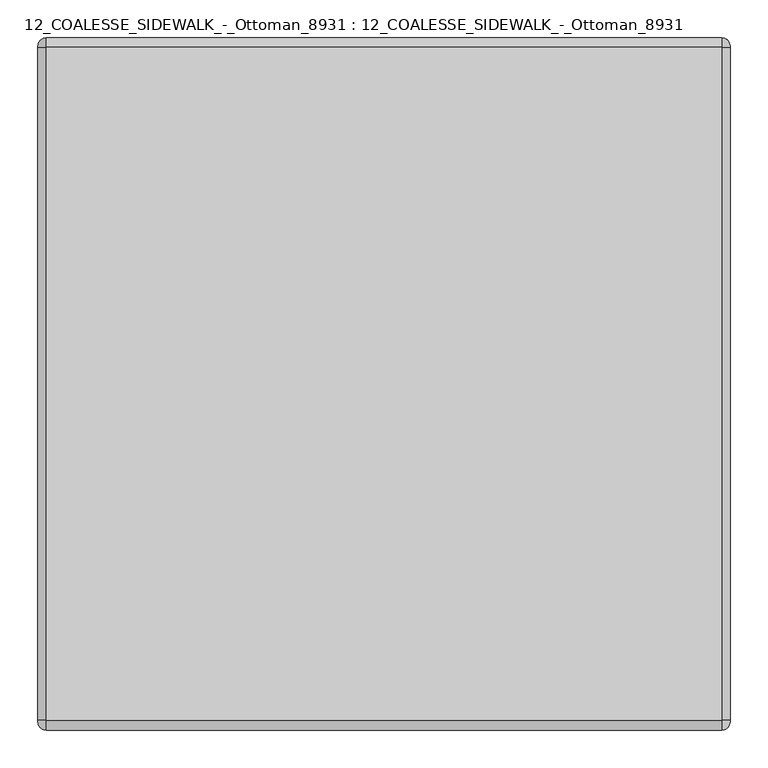
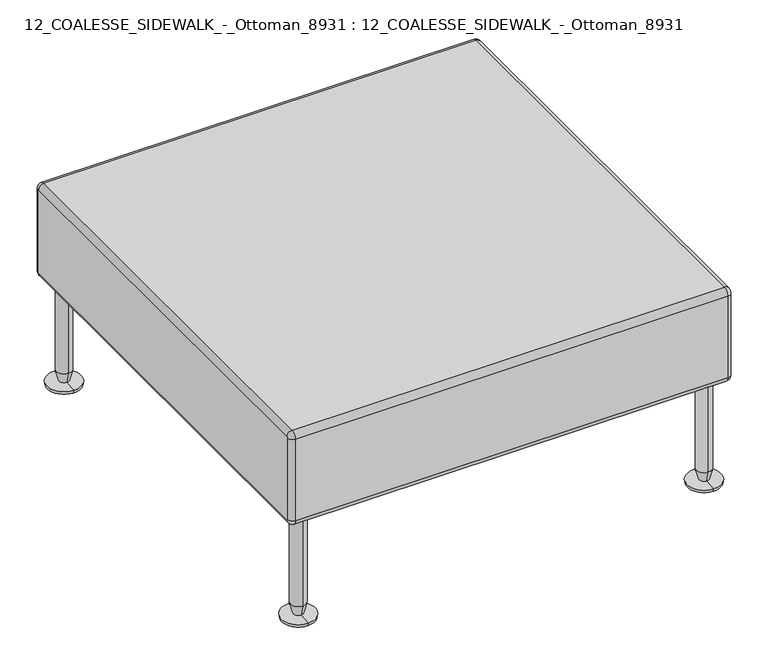
"""IFC4 building model written with IfcOpenShell, lengths in millimetres: furniture geometry, 12_COALESSE_SIDEWALK_-_Ottoman_8931 : 12_COALESSE_SIDEWALK_-_Ottoman_8931."""

from ifc_helpers import new_model, si_unit, point, frame, origin, place, context, project, spatial, polyline, circle_curve, ellipse_curve, trimmed, source, transform, mapped, element, save
from ifc_brep_helpers import plane_surface, cylinder_surface, revolved_surface, advanced_brep


def furniture_12_coalesse_sidewalk_ottoman_8931_12_coalesse_88a3f7fe(model_context):
    return source(origin(), model_context, "Body", "AdvancedBrep", [
        advanced_brep(
        [(-721.2141121, 583.8248707, 228.6), (-721.2141121, 599.6998707, 228.6), (-721.2141121, 567.9498707, 228.6), (-721.2141121, 549.958204, 0.0), (-721.2141121, 617.6915374, 0.0), (-721.2141121, 583.8248707, 0.0), (-721.2141121, 548.8998707, 6.35), (-721.2141121, 618.7498707, 6.35), (-721.2141121, 573.9415173, 8.5001207), (-721.2141121, 593.7082242, 8.5001207), (-721.2141121, 567.9498707, 31.75), (-721.2141121, 599.6998707, 31.75)],
        [
            (0, 1),
            (1, 2, circle_curve(frame((-721.2141121, 583.8248707, 228.6), z_axis=(0.0, 0.0, 1.0), x_axis=(0.0, 1.0, 0.0)), 15.875)),
            (2, 0),
            (2, 1, circle_curve(frame((-721.2141121, 583.8248707, 228.6), z_axis=(0.0, 0.0, 1.0), x_axis=(0.0, 1.0, 0.0)), 15.875)),
            (3, 4, circle_curve(frame((-721.2141121, 583.8248707, 0.0), z_axis=(0.0, 0.0, -1.0), x_axis=(0.0, 1.0, 0.0)), 33.8666667)),
            (4, 5),
            (5, 3),
            (4, 3, circle_curve(frame((-721.2141121, 583.8248707, 0.0), z_axis=(0.0, 0.0, -1.0), x_axis=(0.0, 1.0, 0.0)), 33.8666667)),
            (3, 6),
            (6, 7, circle_curve(frame((-721.2141121, 583.8248707, 6.35), z_axis=(0.0, 0.0, -1.0), x_axis=(0.0, 1.0, 0.0)), 34.925)),
            (7, 4),
            (7, 6, circle_curve(frame((-721.2141121, 583.8248707, 6.35), z_axis=(0.0, 0.0, -1.0), x_axis=(0.0, 1.0, 0.0)), 34.925)),
            (6, 8),
            (8, 9, circle_curve(frame((-721.2141121, 583.8248707, 8.5001207), z_axis=(0.0, 0.0, -1.0), x_axis=(0.0, 1.0, 0.0)), 9.8833534)),
            (9, 7),
            (9, 8, circle_curve(frame((-721.2141121, 583.8248707, 8.5001207), z_axis=(0.0, 0.0, -1.0), x_axis=(0.0, 1.0, 0.0)), 9.8833534)),
            (8, 10),
            (10, 11, circle_curve(frame((-721.2141121, 583.8248707, 31.75), z_axis=(0.0, 0.0, -1.0), x_axis=(0.0, 1.0, 0.0)), 15.875)),
            (11, 9),
            (11, 10, circle_curve(frame((-721.2141121, 583.8248707, 31.75), z_axis=(0.0, 0.0, -1.0), x_axis=(0.0, 1.0, 0.0)), 15.875)),
            (1, 11),
            (10, 2),
        ],
        [
            plane_surface(frame((-721.2141121, 583.8248707, 228.6), z_axis=(0.0, 0.0, 1.0), x_axis=(0.0, 1.0, 0.0))),
            plane_surface(frame((-721.2141121, 583.8248707, 0.0), z_axis=(0.0, 0.0, -1.0), x_axis=(0.0, 1.0, 0.0))),
            revolved_surface(polyline([(-721.2141121, 617.6915374, 0.0), (-721.2141121, 618.7498707, 6.35)]), (-721.2141121, 583.8248707, -95.25), (0.0, 0.0, 1.0)),
            revolved_surface(polyline([(-721.2141121, 618.7498707, 6.35), (-721.2141121, 593.7082242, 8.5001207)]), (-721.2141121, 583.8248707, -95.25), (0.0, 0.0, 1.0)),
            revolved_surface(polyline([(-721.2141121, 593.7082242, 8.5001207), (-721.2141121, 599.6998707, 31.75)]), (-721.2141121, 583.8248707, -95.25), (0.0, 0.0, 1.0)),
            cylinder_surface(frame((-721.2141121, 583.8248707, -95.25), z_axis=(0.0, 0.0, 1.0), x_axis=(0.0, 1.0, 0.0)), 15.875),
        ],
        [
            (0, [[1, 2, 3]]),
            (0, [[-1, -3, 4]]),
            (1, [[5, 6, 7]]),
            (1, [[-6, 8, -7]]),
            (2, [[-5, 9, 10, 11]]),
            (2, [[-8, -11, 12, -9]]),
            (3, [[-10, 13, 14, 15]]),
            (3, [[-12, -15, 16, -13]]),
            (4, [[-14, 17, 18, 19]]),
            (4, [[-16, -19, 20, -17]]),
            (5, [[-2, 21, -18, 22]]),
            (5, [[-4, -22, -20, -21]]),
        ],
    ),
        advanced_brep(
        [(-721.2141121, -254.3751293, 228.6), (-721.2141121, -238.5001293, 228.6), (-721.2141121, -270.2501293, 228.6), (-721.2141121, -288.241796, 0.0), (-721.2141121, -220.5084626, 0.0), (-721.2141121, -254.3751293, 0.0), (-721.2141121, -289.3001293, 6.35), (-721.2141121, -219.4501293, 6.35), (-721.2141121, -264.2584827, 8.5001207), (-721.2141121, -244.4917758, 8.5001207), (-721.2141121, -270.2501293, 31.75), (-721.2141121, -238.5001293, 31.75)],
        [
            (0, 1),
            (1, 2, circle_curve(frame((-721.2141121, -254.3751293, 228.6), z_axis=(0.0, 0.0, 1.0), x_axis=(0.0, 1.0, 0.0)), 15.875)),
            (2, 0),
            (2, 1, circle_curve(frame((-721.2141121, -254.3751293, 228.6), z_axis=(0.0, 0.0, 1.0), x_axis=(0.0, 1.0, 0.0)), 15.875)),
            (3, 4, circle_curve(frame((-721.2141121, -254.3751293, 0.0), z_axis=(0.0, 0.0, -1.0), x_axis=(0.0, 1.0, 0.0)), 33.8666667)),
            (4, 5),
            (5, 3),
            (4, 3, circle_curve(frame((-721.2141121, -254.3751293, 0.0), z_axis=(0.0, 0.0, -1.0), x_axis=(0.0, 1.0, 0.0)), 33.8666667)),
            (3, 6),
            (6, 7, circle_curve(frame((-721.2141121, -254.3751293, 6.35), z_axis=(0.0, 0.0, -1.0), x_axis=(0.0, 1.0, 0.0)), 34.925)),
            (7, 4),
            (7, 6, circle_curve(frame((-721.2141121, -254.3751293, 6.35), z_axis=(0.0, 0.0, -1.0), x_axis=(0.0, 1.0, 0.0)), 34.925)),
            (6, 8),
            (8, 9, circle_curve(frame((-721.2141121, -254.3751293, 8.5001207), z_axis=(0.0, 0.0, -1.0), x_axis=(0.0, 1.0, 0.0)), 9.8833534)),
            (9, 7),
            (9, 8, circle_curve(frame((-721.2141121, -254.3751293, 8.5001207), z_axis=(0.0, 0.0, -1.0), x_axis=(0.0, 1.0, 0.0)), 9.8833534)),
            (8, 10),
            (10, 11, circle_curve(frame((-721.2141121, -254.3751293, 31.75), z_axis=(0.0, 0.0, -1.0), x_axis=(0.0, 1.0, 0.0)), 15.875)),
            (11, 9),
            (11, 10, circle_curve(frame((-721.2141121, -254.3751293, 31.75), z_axis=(0.0, 0.0, -1.0), x_axis=(0.0, 1.0, 0.0)), 15.875)),
            (1, 11),
            (10, 2),
        ],
        [
            plane_surface(frame((-721.2141121, -254.3751293, 228.6), z_axis=(0.0, 0.0, 1.0), x_axis=(0.0, 1.0, 0.0))),
            plane_surface(frame((-721.2141121, -254.3751293, 0.0), z_axis=(0.0, 0.0, -1.0), x_axis=(0.0, 1.0, 0.0))),
            revolved_surface(polyline([(-721.2141121, -220.5084626, 0.0), (-721.2141121, -219.4501293, 6.35)]), (-721.2141121, -254.3751293, -95.25), (0.0, 0.0, 1.0)),
            revolved_surface(polyline([(-721.2141121, -219.4501293, 6.35), (-721.2141121, -244.4917758, 8.5001207)]), (-721.2141121, -254.3751293, -95.25), (0.0, 0.0, 1.0)),
            revolved_surface(polyline([(-721.2141121, -244.4917758, 8.5001207), (-721.2141121, -238.5001293, 31.75)]), (-721.2141121, -254.3751293, -95.25), (0.0, 0.0, 1.0)),
            cylinder_surface(frame((-721.2141121, -254.3751293, -95.25), z_axis=(0.0, 0.0, 1.0), x_axis=(0.0, 1.0, 0.0)), 15.875),
        ],
        [
            (0, [[1, 2, 3]]),
            (0, [[-1, -3, 4]]),
            (1, [[5, 6, 7]]),
            (1, [[-6, 8, -7]]),
            (2, [[-5, 9, 10, 11]]),
            (2, [[-8, -11, 12, -9]]),
            (3, [[-10, 13, 14, 15]]),
            (3, [[-12, -15, 16, -13]]),
            (4, [[-14, 17, 18, 19]]),
            (4, [[-16, -19, 20, -17]]),
            (5, [[-2, 21, -18, 22]]),
            (5, [[-4, -22, -20, -21]]),
        ],
    ),
        advanced_brep(
        [(-759.3141121, 609.2248707, 420.6875), (-759.3141121, 610.8123707, 419.1), (-759.3141121, 610.8123707, 241.3), (-759.3141121, 609.2248707, 239.7125), (-759.3141121, -279.7751293, 239.7125), (-759.3141121, -281.3626293, 241.3), (-759.3141121, -281.3626293, 419.1), (-759.3141121, -279.7751293, 420.6875), (155.0858879, -279.7751293, 420.6875), (155.0858879, -281.3626293, 419.1), (155.0858879, -281.3626293, 241.3), (155.0858879, -279.7751293, 239.7125), (155.0858879, 609.2248707, 239.7125), (155.0858879, 610.8123707, 241.3), (155.0858879, 610.8123707, 419.1), (155.0858879, 609.2248707, 420.6875), (143.9733879, -279.7751293, 431.8), (143.9733879, 609.2248707, 431.8), (-748.2016121, 609.2248707, 431.8), (-748.2016121, -279.7751293, 431.8), (143.9733879, 621.9248707, 419.1), (-748.2016121, 621.9248707, 419.1), (143.9733879, 621.9248707, 241.3), (-748.2016121, 621.9248707, 241.3), (143.9733879, 609.2248707, 228.6), (-748.2016121, 609.2248707, 228.6), (143.9733879, -279.7751293, 228.6), (-748.2016121, -279.7751293, 228.6), (143.9733879, -292.4751293, 241.3), (-748.2016121, -292.4751293, 241.3), (143.9733879, -292.4751293, 419.1), (-748.2016121, -292.4751293, 419.1)],
        [
            (0, 1, circle_curve(frame((-759.3141121, 609.2248707, 419.1), z_axis=(-1.0, 0.0, 0.0), x_axis=(0.0, 0.0, 1.0)), 1.5875)),
            (1, 2),
            (2, 3, circle_curve(frame((-759.3141121, 609.2248707, 241.3), z_axis=(-1.0, 0.0, 0.0), x_axis=(0.0, 1.0, 0.0)), 1.5875)),
            (3, 4),
            (4, 5, circle_curve(frame((-759.3141121, -279.7751293, 241.3), z_axis=(-1.0, 0.0, 0.0), x_axis=(0.0, 0.0, -1.0)), 1.5875)),
            (5, 6),
            (6, 7, circle_curve(frame((-759.3141121, -279.7751293, 419.1), z_axis=(-1.0, 0.0, 0.0), x_axis=(0.0, -1.0, 0.0)), 1.5875)),
            (7, 0),
            (8, 9, circle_curve(frame((155.0858879, -279.7751293, 419.1), z_axis=(1.0, 0.0, 0.0), x_axis=(0.0, 0.0, 1.0)), 1.5875)),
            (9, 10),
            (10, 11, circle_curve(frame((155.0858879, -279.7751293, 241.3), z_axis=(1.0, 0.0, 0.0), x_axis=(0.0, -1.0, 0.0)), 1.5875)),
            (11, 12),
            (12, 13, circle_curve(frame((155.0858879, 609.2248707, 241.3), z_axis=(1.0, 0.0, 0.0), x_axis=(0.0, 0.0, -1.0)), 1.5875)),
            (13, 14),
            (14, 15, circle_curve(frame((155.0858879, 609.2248707, 419.1), z_axis=(1.0, 0.0, 0.0), x_axis=(0.0, 1.0, 0.0)), 1.5875)),
            (15, 8),
            (16, 17),
            (17, 18),
            (18, 19),
            (19, 16),
            (17, 20, circle_curve(frame((143.9733879, 609.2248707, 419.1), z_axis=(-1.0, 0.0, 0.0), x_axis=(0.0, -1.0, 0.0)), 12.7)),
            (20, 21),
            (21, 18, circle_curve(frame((-748.2016121, 609.2248707, 419.1), z_axis=(1.0, 0.0, 0.0), x_axis=(0.0, -1.0, 0.0)), 12.7)),
            (20, 22),
            (22, 23),
            (23, 21),
            (22, 24, circle_curve(frame((143.9733879, 609.2248707, 241.3), z_axis=(-1.0, 0.0, 0.0), x_axis=(0.0, -1.0, 0.0)), 12.7)),
            (24, 25),
            (25, 23, circle_curve(frame((-748.2016121, 609.2248707, 241.3), z_axis=(1.0, 0.0, 0.0), x_axis=(0.0, -1.0, 0.0)), 12.7)),
            (24, 26),
            (26, 27),
            (27, 25),
            (26, 28, circle_curve(frame((143.9733879, -279.7751293, 241.3), z_axis=(-1.0, 0.0, 0.0), x_axis=(0.0, -1.0, 0.0)), 12.7)),
            (28, 29),
            (29, 27, circle_curve(frame((-748.2016121, -279.7751293, 241.3), z_axis=(1.0, 0.0, 0.0), x_axis=(0.0, -1.0, 0.0)), 12.7)),
            (28, 30),
            (30, 31),
            (31, 29),
            (30, 16, circle_curve(frame((143.9733879, -279.7751293, 419.1), z_axis=(-1.0, 0.0, 0.0), x_axis=(0.0, -1.0, 0.0)), 12.7)),
            (19, 31, circle_curve(frame((-748.2016121, -279.7751293, 419.1), z_axis=(1.0, 0.0, 0.0), x_axis=(0.0, -1.0, 0.0)), 12.7)),
            (30, 9, circle_curve(frame((143.9733879, -281.3626293, 419.1), z_axis=(0.0, 0.0, 1.0), x_axis=(0.0, -1.0, 0.0)), 11.1125)),
            (8, 16, circle_curve(frame((143.9733879, -279.7751293, 420.6875), z_axis=(0.0, -1.0, 0.0), x_axis=(0.0, 0.0, 1.0)), 11.1125)),
            (28, 10, circle_curve(frame((143.9733879, -281.3626293, 241.3), z_axis=(0.0, 0.0, 1.0), x_axis=(0.0, -1.0, 0.0)), 11.1125)),
            (26, 11, circle_curve(frame((143.9733879, -279.7751293, 239.7125), z_axis=(0.0, -1.0, 0.0), x_axis=(0.0, 0.0, -1.0)), 11.1125)),
            (24, 12, circle_curve(frame((143.9733879, 609.2248707, 239.7125), z_axis=(0.0, -1.0, 0.0), x_axis=(0.0, 0.0, -1.0)), 11.1125)),
            (22, 13, circle_curve(frame((143.9733879, 610.8123707, 241.3), z_axis=(0.0, 0.0, -1.0), x_axis=(0.0, 1.0, 0.0)), 11.1125)),
            (20, 14, circle_curve(frame((143.9733879, 610.8123707, 419.1), z_axis=(0.0, 0.0, -1.0), x_axis=(0.0, 1.0, 0.0)), 11.1125)),
            (17, 15, circle_curve(frame((143.9733879, 609.2248707, 420.6875), z_axis=(0.0, 1.0, 0.0), x_axis=(0.0, 0.0, 1.0)), 11.1125)),
            (21, 1, circle_curve(frame((-748.2016121, 610.8123707, 419.1), z_axis=(0.0, 0.0, 1.0), x_axis=(0.0, -1.0, 0.0)), 11.1125)),
            (0, 18, circle_curve(frame((-748.2016121, 609.2248707, 420.6875), z_axis=(0.0, 1.0, 0.0), x_axis=(0.0, 0.0, -1.0)), 11.1125)),
            (23, 2, circle_curve(frame((-748.2016121, 610.8123707, 241.3), z_axis=(0.0, 0.0, 1.0), x_axis=(0.0, -1.0, 0.0)), 11.1125)),
            (25, 3, circle_curve(frame((-748.2016121, 609.2248707, 239.7125), z_axis=(0.0, 1.0, 0.0), x_axis=(0.0, 0.0, 1.0)), 11.1125)),
            (27, 4, circle_curve(frame((-748.2016121, -279.7751293, 239.7125), z_axis=(0.0, 1.0, 0.0), x_axis=(0.0, 0.0, 1.0)), 11.1125)),
            (29, 5, circle_curve(frame((-748.2016121, -281.3626293, 241.3), z_axis=(0.0, 0.0, -1.0), x_axis=(0.0, 1.0, 0.0)), 11.1125)),
            (31, 6, circle_curve(frame((-748.2016121, -281.3626293, 419.1), z_axis=(0.0, 0.0, -1.0), x_axis=(0.0, 1.0, 0.0)), 11.1125)),
            (19, 7, circle_curve(frame((-748.2016121, -279.7751293, 420.6875), z_axis=(0.0, -1.0, 0.0), x_axis=(0.0, 0.0, -1.0)), 11.1125)),
        ],
        [
            plane_surface(frame((-759.3141121, 609.2248707, 431.8), z_axis=(-1.0, 0.0, 0.0), x_axis=(0.0, 1.0, 0.0))),
            plane_surface(frame((155.0858879, 609.2248707, 431.8), z_axis=(1.0, 0.0, 0.0), x_axis=(0.0, -1.0, 0.0))),
            plane_surface(frame((-759.3141121, -279.7751293, 431.8), z_axis=(0.0, 0.0, 1.0), x_axis=(1.0, 0.0, 0.0))),
            cylinder_surface(frame((155.0858879, 609.2248707, 419.1), z_axis=(-1.0, 0.0, 0.0), x_axis=(0.0, -1.0, 0.0)), 12.7),
            plane_surface(frame((-759.3141121, 621.9248707, 419.1), z_axis=(0.0, 1.0, 0.0), x_axis=(1.0, 0.0, 0.0))),
            cylinder_surface(frame((155.0858879, 609.2248707, 241.3), z_axis=(-1.0, 0.0, 0.0), x_axis=(0.0, -1.0, 0.0)), 12.7),
            plane_surface(frame((-759.3141121, 609.2248707, 228.6), z_axis=(0.0, 0.0, -1.0), x_axis=(1.0, 0.0, 0.0))),
            cylinder_surface(frame((155.0858879, -279.7751293, 241.3), z_axis=(-1.0, 0.0, 0.0), x_axis=(0.0, -1.0, 0.0)), 12.7),
            plane_surface(frame((-759.3141121, -292.4751293, 241.3), z_axis=(0.0, -1.0, 0.0), x_axis=(1.0, 0.0, 0.0))),
            cylinder_surface(frame((155.0858879, -279.7751293, 419.1), z_axis=(-1.0, 0.0, 0.0), x_axis=(0.0, -1.0, 0.0)), 12.7),
            revolved_surface(trimmed(ellipse_curve(frame((143.9733879, -279.7751293, 420.6875), z_axis=(0.0, 1.0, 0.0), x_axis=(0.0, 0.0, 1.0)), 11.1125, 11.1125), [point((143.9733879, -279.7751293, 431.8))], [point((155.0858879, -279.7751293, 420.6875))], True, "CARTESIAN"), (155.0858879, -279.7751293, 419.1), (1.0, 0.0, 0.0)),
            cylinder_surface(frame((143.9733879, -281.3626293, 419.1), z_axis=(0.0, 0.0, -1.0), x_axis=(0.0, -1.0, 0.0)), 11.1125),
            revolved_surface(trimmed(ellipse_curve(frame((143.9733879, -281.3626293, 241.3), z_axis=(0.0, 0.0, 1.0), x_axis=(0.0, -1.0, 0.0)), 11.1125, 11.1125), [point((143.9733879, -292.4751293, 241.3))], [point((155.0858879, -281.3626293, 241.3))], True, "CARTESIAN"), (155.0858879, -279.7751293, 241.3), (1.0, 0.0, 0.0)),
            cylinder_surface(frame((143.9733879, -279.7751293, 239.7125), z_axis=(0.0, 1.0, 0.0), x_axis=(0.0, 0.0, -1.0)), 11.1125),
            revolved_surface(trimmed(ellipse_curve(frame((143.9733879, 609.2248707, 239.7125), z_axis=(0.0, -1.0, 0.0), x_axis=(0.0, 0.0, -1.0)), 11.1125, 11.1125), [point((143.9733879, 609.2248707, 228.6))], [point((155.0858879, 609.2248707, 239.7125))], True, "CARTESIAN"), (155.0858879, 609.2248707, 241.3), (1.0, 0.0, 0.0)),
            cylinder_surface(frame((143.9733879, 610.8123707, 241.3), z_axis=(0.0, 0.0, 1.0), x_axis=(0.0, 1.0, 0.0)), 11.1125),
            revolved_surface(trimmed(ellipse_curve(frame((143.9733879, 610.8123707, 419.1), z_axis=(0.0, 0.0, -1.0), x_axis=(0.0, 1.0, 0.0)), 11.1125, 11.1125), [point((143.9733879, 621.9248707, 419.1))], [point((155.0858879, 610.8123707, 419.1))], True, "CARTESIAN"), (155.0858879, 609.2248707, 419.1), (1.0, 0.0, 0.0)),
            cylinder_surface(frame((143.9733879, 609.2248707, 420.6875), z_axis=(0.0, -1.0, 0.0), x_axis=(0.0, 0.0, 1.0)), 11.1125),
            revolved_surface(trimmed(ellipse_curve(frame((-748.2016121, 609.2248707, 420.6875), z_axis=(0.0, -1.0, 0.0), x_axis=(0.0, 0.0, -1.0)), 11.1125, 11.1125), [point((-748.2016121, 609.2248707, 431.8))], [point((-759.3141121, 609.2248707, 420.6875))], True, "CARTESIAN"), (-759.3141121, 609.2248707, 419.1), (-1.0, 0.0, 0.0)),
            cylinder_surface(frame((-748.2016121, 610.8123707, 419.1), z_axis=(0.0, 0.0, -1.0), x_axis=(0.0, -1.0, 0.0)), 11.1125),
            revolved_surface(trimmed(ellipse_curve(frame((-748.2016121, 610.8123707, 241.3), z_axis=(0.0, 0.0, 1.0), x_axis=(0.0, -1.0, 0.0)), 11.1125, 11.1125), [point((-748.2016121, 621.9248707, 241.3))], [point((-759.3141121, 610.8123707, 241.3))], True, "CARTESIAN"), (-759.3141121, 609.2248707, 241.3), (-1.0, 0.0, 0.0)),
            cylinder_surface(frame((-748.2016121, 609.2248707, 239.7125), z_axis=(0.0, -1.0, 0.0), x_axis=(0.0, 0.0, 1.0)), 11.1125),
            revolved_surface(trimmed(ellipse_curve(frame((-748.2016121, -279.7751293, 239.7125), z_axis=(0.0, 1.0, 0.0), x_axis=(0.0, 0.0, 1.0)), 11.1125, 11.1125), [point((-748.2016121, -279.7751293, 228.6))], [point((-759.3141121, -279.7751293, 239.7125))], True, "CARTESIAN"), (-759.3141121, -279.7751293, 241.3), (-1.0, 0.0, 0.0)),
            cylinder_surface(frame((-748.2016121, -281.3626293, 241.3), z_axis=(0.0, 0.0, 1.0), x_axis=(0.0, 1.0, 0.0)), 11.1125),
            revolved_surface(trimmed(ellipse_curve(frame((-748.2016121, -281.3626293, 419.1), z_axis=(0.0, 0.0, -1.0), x_axis=(0.0, 1.0, 0.0)), 11.1125, 11.1125), [point((-748.2016121, -292.4751293, 419.1))], [point((-759.3141121, -281.3626293, 419.1))], True, "CARTESIAN"), (-759.3141121, -279.7751293, 419.1), (-1.0, 0.0, 0.0)),
            cylinder_surface(frame((-748.2016121, -279.7751293, 420.6875), z_axis=(0.0, 1.0, 0.0), x_axis=(0.0, 0.0, -1.0)), 11.1125),
        ],
        [
            (0, [[1, 2, 3, 4, 5, 6, 7, 8]]),
            (1, [[9, 10, 11, 12, 13, 14, 15, 16]]),
            (2, [[17, 18, 19, 20]]),
            (3, [[21, 22, 23, -18]]),
            (4, [[24, 25, 26, -22]]),
            (5, [[27, 28, 29, -25]]),
            (6, [[30, 31, 32, -28]]),
            (7, [[33, 34, 35, -31]]),
            (8, [[36, 37, 38, -34]]),
            (9, [[39, -20, 40, -37]]),
            (10, [[41, -9, 42, -39]]),
            (11, [[-41, -36, 43, -10]]),
            (12, [[-43, -33, 44, -11]]),
            (13, [[-44, -30, 45, -12]]),
            (14, [[-45, -27, 46, -13]]),
            (15, [[-46, -24, 47, -14]]),
            (16, [[-47, -21, 48, -15]]),
            (17, [[-42, -16, -48, -17]]),
            (18, [[49, -1, 50, -23]]),
            (19, [[-49, -26, 51, -2]]),
            (20, [[-51, -29, 52, -3]]),
            (21, [[-52, -32, 53, -4]]),
            (22, [[-53, -35, 54, -5]]),
            (23, [[-54, -38, 55, -6]]),
            (24, [[-55, -40, 56, -7]]),
            (25, [[-50, -8, -56, -19]]),
        ],
    ),
        advanced_brep(
        [(116.9570619, 567.9498707, 31.75), (116.9570619, 599.6998707, 31.75), (116.9570619, 599.6998707, 228.6), (116.9570619, 567.9498707, 228.6), (116.9570619, 573.9415173, 8.5001207), (116.9570619, 593.7082242, 8.5001207), (116.9570619, 548.8998707, 6.35), (116.9570619, 618.7498707, 6.35), (116.9570619, 549.958204, 0.0), (116.9570619, 617.6915374, 0.0), (116.9570619, 583.8248707, 0.0), (116.9570619, 583.8248707, 228.6)],
        [
            (0, 1, circle_curve(frame((116.9570619, 583.8248707, 31.75), z_axis=(0.0, 0.0, 1.0), x_axis=(0.0, 1.0, 0.0)), 15.875)),
            (1, 2),
            (2, 3, circle_curve(frame((116.9570619, 583.8248707, 228.6), z_axis=(0.0, 0.0, -1.0), x_axis=(0.0, 1.0, 0.0)), 15.875)),
            (3, 0),
            (1, 0, circle_curve(frame((116.9570619, 583.8248707, 31.75), z_axis=(0.0, 0.0, 1.0), x_axis=(0.0, 1.0, 0.0)), 15.875)),
            (3, 2, circle_curve(frame((116.9570619, 583.8248707, 228.6), z_axis=(0.0, 0.0, -1.0), x_axis=(0.0, 1.0, 0.0)), 15.875)),
            (0, 4),
            (4, 5, circle_curve(frame((116.9570619, 583.8248707, 8.5001207), z_axis=(0.0, 0.0, 1.0), x_axis=(0.0, 1.0, 0.0)), 9.8833534)),
            (5, 1),
            (5, 4, circle_curve(frame((116.9570619, 583.8248707, 8.5001207), z_axis=(0.0, 0.0, 1.0), x_axis=(0.0, 1.0, 0.0)), 9.8833534)),
            (4, 6),
            (6, 7, circle_curve(frame((116.9570619, 583.8248707, 6.35), z_axis=(0.0, 0.0, 1.0), x_axis=(0.0, 1.0, 0.0)), 34.925)),
            (7, 5),
            (7, 6, circle_curve(frame((116.9570619, 583.8248707, 6.35), z_axis=(0.0, 0.0, 1.0), x_axis=(0.0, 1.0, 0.0)), 34.925)),
            (6, 8),
            (8, 9, circle_curve(frame((116.9570619, 583.8248707, 0.0), z_axis=(0.0, 0.0, 1.0), x_axis=(0.0, 1.0, 0.0)), 33.8666667)),
            (9, 7),
            (9, 8, circle_curve(frame((116.9570619, 583.8248707, 0.0), z_axis=(0.0, 0.0, 1.0), x_axis=(0.0, 1.0, 0.0)), 33.8666667)),
            (8, 10),
            (10, 9),
            (2, 11),
            (11, 3),
        ],
        [
            cylinder_surface(frame((116.9570619, 583.8248707, -95.25), z_axis=(0.0, 0.0, -1.0), x_axis=(0.0, 1.0, 0.0)), 15.875),
            revolved_surface(polyline([(116.9570619, 599.6998707, 31.75), (116.9570619, 593.7082242, 8.5001207)]), (116.9570619, 583.8248707, -95.25), (0.0, 0.0, -1.0)),
            revolved_surface(polyline([(116.9570619, 593.7082242, 8.5001207), (116.9570619, 618.7498707, 6.35)]), (116.9570619, 583.8248707, -95.25), (0.0, 0.0, -1.0)),
            revolved_surface(polyline([(116.9570619, 618.7498707, 6.35), (116.9570619, 617.6915374, 0.0)]), (116.9570619, 583.8248707, -95.25), (0.0, 0.0, -1.0)),
            plane_surface(frame((116.9570619, 583.8248707, 0.0), z_axis=(0.0, 0.0, -1.0), x_axis=(0.0, 1.0, 0.0))),
            plane_surface(frame((116.9570619, 583.8248707, 228.6), z_axis=(0.0, 0.0, 1.0), x_axis=(0.0, 1.0, 0.0))),
        ],
        [
            (0, [[1, 2, 3, 4]]),
            (0, [[-2, 5, -4, 6]]),
            (1, [[-1, 7, 8, 9]]),
            (1, [[-5, -9, 10, -7]]),
            (2, [[-8, 11, 12, 13]]),
            (2, [[-10, -13, 14, -11]]),
            (3, [[-12, 15, 16, 17]]),
            (3, [[-14, -17, 18, -15]]),
            (4, [[-16, 19, 20]]),
            (4, [[-18, -20, -19]]),
            (5, [[-3, 21, 22]]),
            (5, [[-6, -22, -21]]),
        ],
    ),
        advanced_brep(
        [(116.9570619, -270.2501293, 31.75), (116.9570619, -238.5001293, 31.75), (116.9570619, -238.5001293, 228.6), (116.9570619, -270.2501293, 228.6), (116.9570619, -264.2584827, 8.5001207), (116.9570619, -244.4917758, 8.5001207), (116.9570619, -289.3001293, 6.35), (116.9570619, -219.4501293, 6.35), (116.9570619, -288.241796, 0.0), (116.9570619, -220.5084626, 0.0), (116.9570619, -254.3751293, 0.0), (116.9570619, -254.3751293, 228.6)],
        [
            (0, 1, circle_curve(frame((116.9570619, -254.3751293, 31.75), z_axis=(0.0, 0.0, 1.0), x_axis=(0.0, 1.0, 0.0)), 15.875)),
            (1, 2),
            (2, 3, circle_curve(frame((116.9570619, -254.3751293, 228.6), z_axis=(0.0, 0.0, -1.0), x_axis=(0.0, 1.0, 0.0)), 15.875)),
            (3, 0),
            (1, 0, circle_curve(frame((116.9570619, -254.3751293, 31.75), z_axis=(0.0, 0.0, 1.0), x_axis=(0.0, 1.0, 0.0)), 15.875)),
            (3, 2, circle_curve(frame((116.9570619, -254.3751293, 228.6), z_axis=(0.0, 0.0, -1.0), x_axis=(0.0, 1.0, 0.0)), 15.875)),
            (0, 4),
            (4, 5, circle_curve(frame((116.9570619, -254.3751293, 8.5001207), z_axis=(0.0, 0.0, 1.0), x_axis=(0.0, 1.0, 0.0)), 9.8833534)),
            (5, 1),
            (5, 4, circle_curve(frame((116.9570619, -254.3751293, 8.5001207), z_axis=(0.0, 0.0, 1.0), x_axis=(0.0, 1.0, 0.0)), 9.8833534)),
            (4, 6),
            (6, 7, circle_curve(frame((116.9570619, -254.3751293, 6.35), z_axis=(0.0, 0.0, 1.0), x_axis=(0.0, 1.0, 0.0)), 34.925)),
            (7, 5),
            (7, 6, circle_curve(frame((116.9570619, -254.3751293, 6.35), z_axis=(0.0, 0.0, 1.0), x_axis=(0.0, 1.0, 0.0)), 34.925)),
            (6, 8),
            (8, 9, circle_curve(frame((116.9570619, -254.3751293, 0.0), z_axis=(0.0, 0.0, 1.0), x_axis=(0.0, 1.0, 0.0)), 33.8666667)),
            (9, 7),
            (9, 8, circle_curve(frame((116.9570619, -254.3751293, 0.0), z_axis=(0.0, 0.0, 1.0), x_axis=(0.0, 1.0, 0.0)), 33.8666667)),
            (8, 10),
            (10, 9),
            (2, 11),
            (11, 3),
        ],
        [
            cylinder_surface(frame((116.9570619, -254.3751293, -95.25), z_axis=(0.0, 0.0, -1.0), x_axis=(0.0, 1.0, 0.0)), 15.875),
            revolved_surface(polyline([(116.9570619, -238.5001293, 31.75), (116.9570619, -244.4917758, 8.5001207)]), (116.9570619, -254.3751293, -95.25), (0.0, 0.0, -1.0)),
            revolved_surface(polyline([(116.9570619, -244.4917758, 8.5001207), (116.9570619, -219.4501293, 6.35)]), (116.9570619, -254.3751293, -95.25), (0.0, 0.0, -1.0)),
            revolved_surface(polyline([(116.9570619, -219.4501293, 6.35), (116.9570619, -220.5084626, 0.0)]), (116.9570619, -254.3751293, -95.25), (0.0, 0.0, -1.0)),
            plane_surface(frame((116.9570619, -254.3751293, 0.0), z_axis=(0.0, 0.0, -1.0), x_axis=(0.0, 1.0, 0.0))),
            plane_surface(frame((116.9570619, -254.3751293, 228.6), z_axis=(0.0, 0.0, 1.0), x_axis=(0.0, 1.0, 0.0))),
        ],
        [
            (0, [[1, 2, 3, 4]]),
            (0, [[-2, 5, -4, 6]]),
            (1, [[-1, 7, 8, 9]]),
            (1, [[-5, -9, 10, -7]]),
            (2, [[-8, 11, 12, 13]]),
            (2, [[-10, -13, 14, -11]]),
            (3, [[-12, 15, 16, 17]]),
            (3, [[-14, -17, 18, -15]]),
            (4, [[-16, 19, 20]]),
            (4, [[-18, -20, -19]]),
            (5, [[-3, 21, 22]]),
            (5, [[-6, -22, -21]]),
        ],
    ),
    ])


if __name__ == "__main__":
    model = new_model("IFC4")
    model_context = context("Model", 3, world=origin())
    ifc_project = project(units=[si_unit("LENGTHUNIT", "METRE", prefix="MILLI")], contexts=[model_context])
    site = spatial("IfcSite", under=ifc_project)
    building = spatial("IfcBuilding", under=site)
    placement = place(None, origin())
    furniture_12_coalesse_sidewalk_ottoman_8931_12_coalesse_shape = furniture_12_coalesse_sidewalk_ottoman_8931_12_coalesse_88a3f7fe(model_context)
    element("IfcFurniture", 1, ObjectType="12_COALESSE_SIDEWALK_-_Ottoman_8931 : 12_COALESSE_SIDEWALK_-_Ottoman_8931", at=placement, inside=building, context=model_context, shape_type="MappedRepresentation", body=[
        mapped(furniture_12_coalesse_sidewalk_ottoman_8931_12_coalesse_shape, transform((0.0, 0.0, 0.0), x_axis=(1.0, 0.0, 0.0), y_axis=(0.0, 1.0, 0.0), z_axis=(0.0, 0.0, 1.0))),
    ])
    save(model, "model.ifc")
